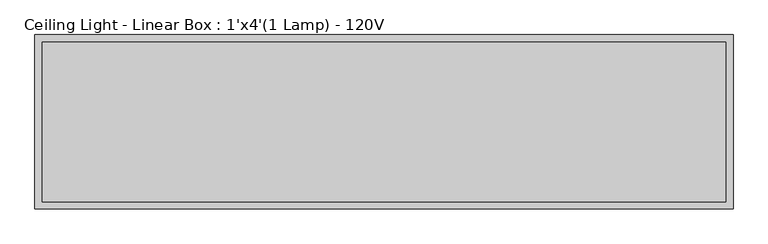
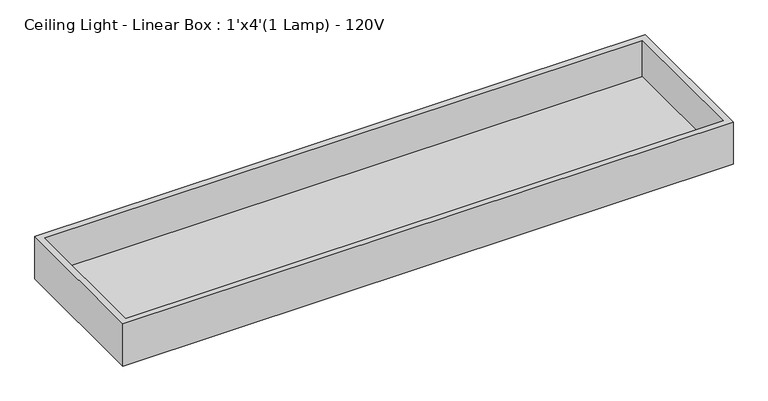
"""IFC4 building model written with IfcOpenShell, lengths in millimetres: light fixture geometry, Ceiling Light - Linear Box : 1'x4'(1 Lamp) - 120V."""

from ifc_helpers import new_model, si_unit, frame, origin, place, context, project, spatial, polyline, outline, extrude, source, transform, mapped, element, save


def ceiling_light_linear_box_1_x4_1_lamp_120v_8873ebfc(model_context):
    return source(origin(), model_context, "Body", "SweptSolid", [
        extrude(outline(polyline([(596.9, 139.7), (596.9, -139.7), (-596.9, -139.7), (-596.9, 139.7), (596.9, 139.7)])), frame((0.0, 0.0, 2355.85), z_axis=(0.0, 0.0, 1.0), x_axis=(1.0, 0.0, 0.0)), (0.0, 0.0, 1.0), 6.35),
        extrude(outline(polyline([(609.6, 152.4), (609.6, -152.4), (-609.6, -152.4), (-609.6, 152.4), (609.6, 152.4)]), holes=[polyline([(596.9, 139.7), (-596.9, 139.7), (-596.9, -139.7), (596.9, -139.7), (596.9, 139.7)])]), frame((0.0, 0.0, 2349.5), z_axis=(0.0, 0.0, 1.0), x_axis=(1.0, 0.0, 0.0)), (0.0, 0.0, 1.0), 88.9),
    ])


if __name__ == "__main__":
    model = new_model("IFC4")
    model_context = context("Model", 3, world=origin())
    ifc_project = project(units=[si_unit("LENGTHUNIT", "METRE", prefix="MILLI")], contexts=[model_context])
    site = spatial("IfcSite", under=ifc_project)
    building = spatial("IfcBuilding", under=site)
    placement = place(None, origin())
    ceiling_light_linear_box_1_x4_1_lamp_120v_shape = ceiling_light_linear_box_1_x4_1_lamp_120v_8873ebfc(model_context)
    element("IfcLightFixture", 1, ObjectType="Ceiling Light - Linear Box : 1'x4'(1 Lamp) - 120V", at=placement, inside=building, context=model_context, shape_type="MappedRepresentation", body=[
        mapped(ceiling_light_linear_box_1_x4_1_lamp_120v_shape, transform((0.0, 0.0, 0.0), x_axis=(1.0, 0.0, 0.0), y_axis=(0.0, 1.0, 0.0), z_axis=(0.0, 0.0, 1.0))),
    ])
    save(model, "model.ifc")
